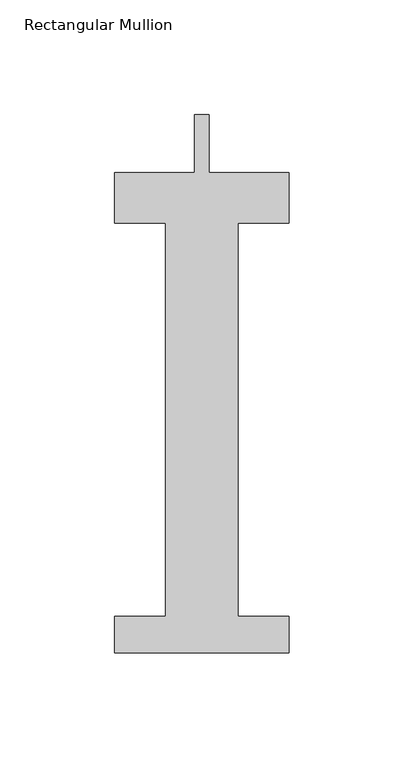
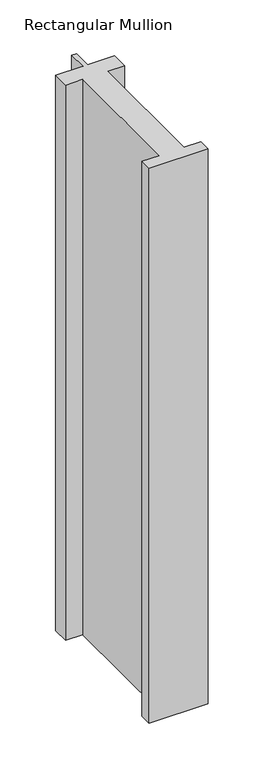
"""IFC4 building model written with IfcOpenShell, lengths in millimetres: member geometry, Rectangular Mullion."""

from ifc_helpers import new_model, si_unit, frame, origin, place, context, project, spatial, polyline, outline, extrude, source, transform, mapped, element, save


def rectangular_mullion_7ee12e4d(model_context):
    return source(origin(), model_context, "Body", "SweptSolid", [
        extrude(outline(polyline([(38.1, -221.996), (-38.1, -221.996), (-38.1, -206.121), (-15.875, -206.121), (-15.875, -34.671), (-38.1, -34.671), (-38.1, -12.7), (-3.175, -12.7), (-3.175, 12.7), (3.175, 12.7), (3.175, -12.7), (38.1, -12.7), (38.1, -34.671), (15.875, -34.671), (15.875, -206.121), (38.1, -206.121), (38.1, -221.996)])), frame((0.0, 0.0, -758.825), z_axis=(0.0, 0.0, 1.0), x_axis=(1.0, 0.0, 0.0)), (0.0, 0.0, 1.0), 758.825),
    ])


if __name__ == "__main__":
    model = new_model("IFC4")
    model_context = context("Model", 3, world=origin())
    ifc_project = project(units=[si_unit("LENGTHUNIT", "METRE", prefix="MILLI")], contexts=[model_context])
    site = spatial("IfcSite", under=ifc_project)
    building = spatial("IfcBuilding", under=site)
    placement = place(None, origin())
    rectangular_mullion_shape = rectangular_mullion_7ee12e4d(model_context)
    element("IfcMember", 1, ObjectType="Rectangular Mullion", at=placement, inside=building, context=model_context, shape_type="MappedRepresentation", body=[
        mapped(rectangular_mullion_shape, transform((0.0, 0.0, 0.0), x_axis=(1.0, 0.0, 0.0), y_axis=(0.0, 1.0, 0.0), z_axis=(0.0, 0.0, 1.0))),
    ])
    save(model, "model.ifc")
